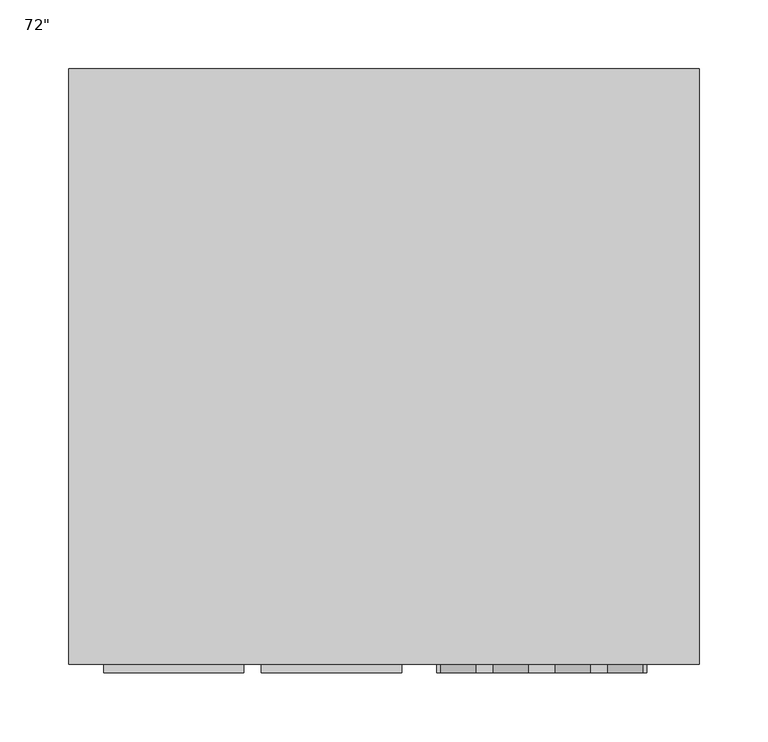
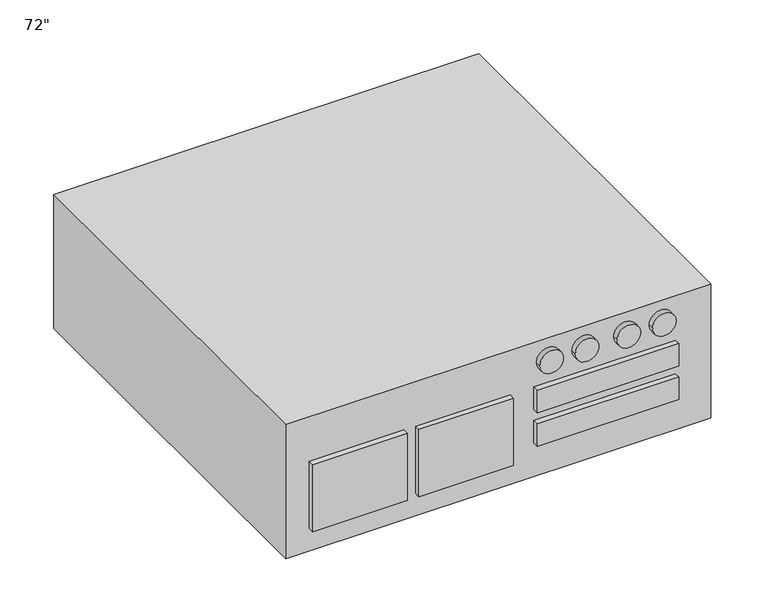
"""IFC4 building model written with IfcOpenShell, lengths in millimetres: proxy geometry."""

from ifc_helpers import new_model, si_unit, point, frame, frame_2d, origin, origin_with_axes, place, context, project, spatial, polyline, circle_curve, trimmed, segment, composite_curve, outline, extrude, source, transform, mapped, element, save


def proxy_6d5fa6d2(model_context):
    return source(origin(), model_context, "Body", "SweptSolid", [
        extrude(outline(polyline([(-56.4796316, 448.9087797), (45.1203684, 448.9087797), (45.1203684, 442.5587797), (-56.4796316, 442.5587797), (-56.4796316, 448.9087797)])), frame((0.0, 0.0, 25.4), z_axis=(0.0, 0.0, 1.0), x_axis=(1.0, 0.0, 0.0)), (0.0, 0.0, 1.0), 76.2),
        extrude(outline(polyline([(57.8203684, 448.9087797), (159.4203684, 448.9087797), (159.4203684, 442.5587797), (57.8203684, 442.5587797), (57.8203684, 448.9087797)])), frame((0.0, 0.0, 25.4), z_axis=(0.0, 0.0, 1.0), x_axis=(1.0, 0.0, 0.0)), (0.0, 0.0, 1.0), 76.2),
        extrude(outline(polyline([(184.8203684, 448.9087797), (337.2203684, 448.9087797), (337.2203684, 442.5587797), (184.8203684, 442.5587797), (184.8203684, 448.9087797)])), frame((0.0, 0.0, 76.2), z_axis=(0.0, 0.0, 1.0), x_axis=(1.0, 0.0, 0.0)), (0.0, 0.0, 1.0), 25.4),
        extrude(outline(polyline([(184.8203684, 448.9087797), (337.2203684, 448.9087797), (337.2203684, 442.5587797), (184.8203684, 442.5587797), (184.8203684, 448.9087797)])), frame((0.0, 0.0, 38.1), z_axis=(0.0, 0.0, 1.0), x_axis=(1.0, 0.0, 0.0)), (0.0, 0.0, 1.0), 25.4),
        extrude(outline(composite_curve([segment(trimmed(circle_curve(frame_2d((128.7939305, 200.4418964)), 12.7), [point((128.7939305, 187.7418964))], [point((128.7939305, 213.1418964))], False, "CARTESIAN"), True, "CONTINUOUS"), segment(trimmed(circle_curve(frame_2d((128.7939305, 200.4418964)), 12.7), [point((128.7939305, 213.1418964))], [point((128.7939305, 187.7418964))], False, "CARTESIAN"), True, "CONTINUOUS")], self_intersect=False)), frame((0.0, 442.5587797, 0.0), z_axis=(0.0, 1.0, 0.0), x_axis=(0.0, 0.0, 1.0)), (0.0, 0.0, 1.0), 6.35),
        extrude(outline(composite_curve([segment(trimmed(circle_curve(frame_2d((128.7939305, 238.5418964)), 12.7), [point((128.7939305, 225.8418964))], [point((128.7939305, 251.2418964))], False, "CARTESIAN"), True, "CONTINUOUS"), segment(trimmed(circle_curve(frame_2d((128.7939305, 238.5418964)), 12.7), [point((128.7939305, 251.2418964))], [point((128.7939305, 225.8418964))], False, "CARTESIAN"), True, "CONTINUOUS")], self_intersect=False)), frame((0.0, 442.5587797, 0.0), z_axis=(0.0, 1.0, 0.0), x_axis=(0.0, 0.0, 1.0)), (0.0, 0.0, 1.0), 6.35),
        extrude(outline(composite_curve([segment(trimmed(circle_curve(frame_2d((128.7939305, 321.5988404)), 12.7), [point((128.7939305, 334.2988404))], [point((128.7939305, 308.8988404))], False, "CARTESIAN"), True, "CONTINUOUS"), segment(trimmed(circle_curve(frame_2d((128.7939305, 321.5988404)), 12.7), [point((128.7939305, 308.8988404))], [point((128.7939305, 334.2988404))], False, "CARTESIAN"), True, "CONTINUOUS")], self_intersect=False)), frame((0.0, 442.5587797, 0.0), z_axis=(0.0, 1.0, 0.0), x_axis=(0.0, 0.0, 1.0)), (0.0, 0.0, 1.0), 6.35),
        extrude(outline(composite_curve([segment(trimmed(circle_curve(frame_2d((128.7939305, 283.4988404)), 12.7), [point((128.7939305, 296.1988404))], [point((128.7939305, 270.7988404))], False, "CARTESIAN"), True, "CONTINUOUS"), segment(trimmed(circle_curve(frame_2d((128.7939305, 283.4988404)), 12.7), [point((128.7939305, 270.7988404))], [point((128.7939305, 296.1988404))], False, "CARTESIAN"), True, "CONTINUOUS")], self_intersect=False)), frame((0.0, 442.5587797, 0.0), z_axis=(0.0, 1.0, 0.0), x_axis=(0.0, 0.0, 1.0)), (0.0, 0.0, 1.0), 6.35),
        extrude(outline(polyline([(-81.8796316, 880.7087797), (375.3203684, 880.7087797), (375.3203684, 448.9087797), (-81.8796316, 448.9087797), (-81.8796316, 880.7087797)])), origin_with_axes(), (0.0, 0.0, 1.0), 152.4),
    ])


if __name__ == "__main__":
    model = new_model("IFC4")
    model_context = context("Model", 3, world=origin())
    ifc_project = project(units=[si_unit("LENGTHUNIT", "METRE", prefix="MILLI")], contexts=[model_context])
    site = spatial("IfcSite", under=ifc_project)
    building = spatial("IfcBuilding", under=site)
    placement = place(None, origin())
    proxy_shape = proxy_6d5fa6d2(model_context)
    element("IfcBuildingElementProxy", 1, Name="72\"", ObjectType="72\"", at=placement, inside=building, context=model_context, shape_type="MappedRepresentation", body=[
        mapped(proxy_shape, transform((0.0, 0.0, 0.0), x_axis=(1.0, 0.0, 0.0), y_axis=(0.0, 1.0, 0.0), z_axis=(0.0, 0.0, 1.0))),
    ])
    save(model, "model.ifc")
